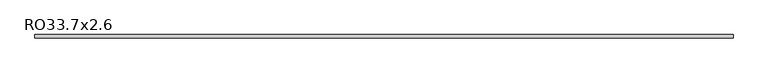
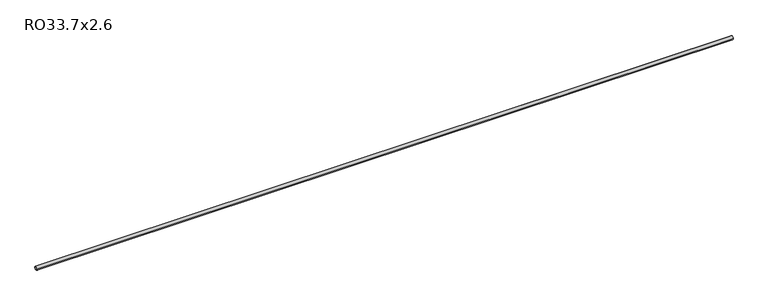
"""IFC4 building model written with IfcOpenShell, lengths in millimetres: beam geometry, RO33.7x2.6."""

from ifc_helpers import new_model, si_unit, point, frame, origin, origin_2d, place, context, project, spatial, circle_curve, trimmed, segment, composite_curve, outline, extrude, source, transform, mapped, element, save


def ro33_7x2_6_6f53e9af(model_context):
    return source(origin(), model_context, "Body", "SweptSolid", [
        extrude(outline(composite_curve([segment(trimmed(circle_curve(origin_2d(), 16.85), [point((-16.85, 0.0))], [point((16.85, 0.0))], False, "CARTESIAN"), True, "CONTINUOUS"), segment(trimmed(circle_curve(origin_2d(), 16.85), [point((16.85, 0.0))], [point((-16.85, 0.0))], False, "CARTESIAN"), True, "CONTINUOUS")], self_intersect=False), holes=[composite_curve([segment(trimmed(circle_curve(origin_2d(), 14.25), [point((14.25, 0.0))], [point((-14.25, 0.0))], True, "CARTESIAN"), True, "CONTINUOUS"), segment(trimmed(circle_curve(origin_2d(), 14.25), [point((-14.25, 0.0))], [point((14.25, 0.0))], True, "CARTESIAN"), True, "CONTINUOUS")], self_intersect=False)]), frame((-2758.5, 0.0, 0.0), z_axis=(1.0, 0.0, 0.0), x_axis=(0.0, 1.0, 0.0)), (0.0, 0.0, 1.0), 6569.1),
    ])


if __name__ == "__main__":
    model = new_model("IFC4")
    model_context = context("Model", 3, world=origin())
    ifc_project = project(units=[si_unit("LENGTHUNIT", "METRE", prefix="MILLI")], contexts=[model_context])
    site = spatial("IfcSite", under=ifc_project)
    building = spatial("IfcBuilding", under=site)
    placement = place(None, origin())
    ro33_7x2_6_shape = ro33_7x2_6_6f53e9af(model_context)
    element("IfcBeam", 1, ObjectType="RO33.7x2.6", at=placement, inside=building, context=model_context, shape_type="MappedRepresentation", body=[
        mapped(ro33_7x2_6_shape, transform((0.0, 0.0, 0.0), x_axis=(1.0, 0.0, 0.0), y_axis=(0.0, 1.0, 0.0), z_axis=(0.0, 0.0, 1.0))),
    ])
    save(model, "model.ifc")
